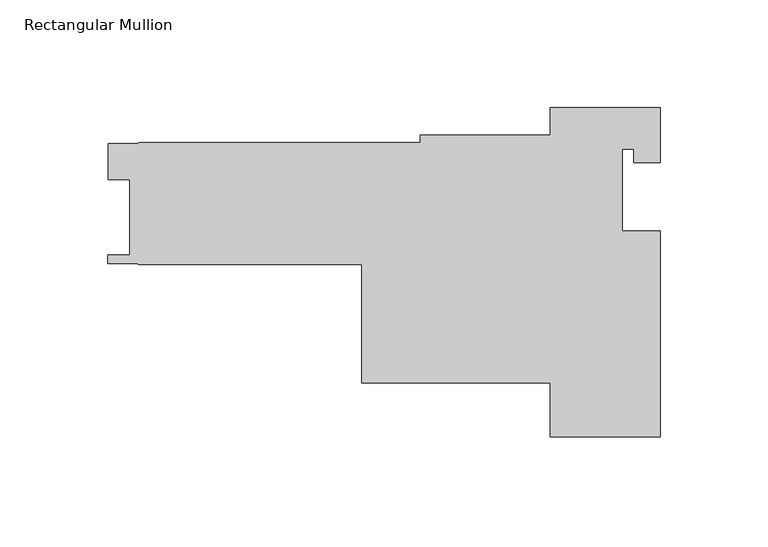
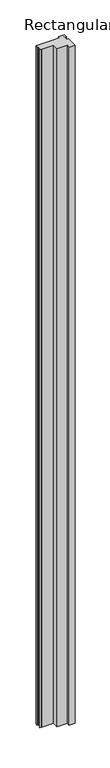
"""IFC4 building model written with IfcOpenShell, lengths in millimetres: member geometry, Rectangular Mullion."""

from ifc_helpers import new_model, si_unit, frame, origin, place, context, project, spatial, polyline, outline, extrude, source, transform, mapped, element, save


def rectangular_mullion_ee2d7f2e(model_context):
    return source(origin(), model_context, "Body", "SweptSolid", [
        extrude(outline(polyline([(-204.7747998, -33.2993997), (-204.7747998, -16.6369999), (-191.2918934, -16.6369999), (-190.5, -16.1798), (-60.325, -16.1798), (-60.325, -12.7), (0.0, -12.7), (0.0, 0.0), (50.8, 0.0), (50.8, -25.4), (38.608, -25.4), (38.608, -19.05), (33.3502, -19.05), (33.3502, -57.1500019), (50.8, -57.1500019), (50.8, -152.4), (0.0, -152.4), (0.0, -127.3556), (-87.2998, -127.3556), (-87.2998, -72.6694), (-190.5, -72.6694), (-191.6034731, -72.1500899), (-204.7875, -72.20585), (-204.7875, -68.2371), (-194.7418, -68.2371), (-194.7418, -33.2993997), (-204.7747998, -33.2993997)])), frame((0.0, 0.0, -6096.0), z_axis=(0.0, 0.0, 1.0), x_axis=(1.0, 0.0, 0.0)), (0.0, 0.0, 1.0), 6096.0),
    ])


if __name__ == "__main__":
    model = new_model("IFC4")
    model_context = context("Model", 3, world=origin())
    ifc_project = project(units=[si_unit("LENGTHUNIT", "METRE", prefix="MILLI")], contexts=[model_context])
    site = spatial("IfcSite", under=ifc_project)
    building = spatial("IfcBuilding", under=site)
    placement = place(None, origin())
    rectangular_mullion_shape = rectangular_mullion_ee2d7f2e(model_context)
    element("IfcMember", 1, ObjectType="Rectangular Mullion", at=placement, inside=building, context=model_context, shape_type="MappedRepresentation", body=[
        mapped(rectangular_mullion_shape, transform((0.0, 0.0, 0.0), x_axis=(1.0, 0.0, 0.0), y_axis=(0.0, 1.0, 0.0), z_axis=(0.0, 0.0, 1.0))),
    ])
    save(model, "model.ifc")
